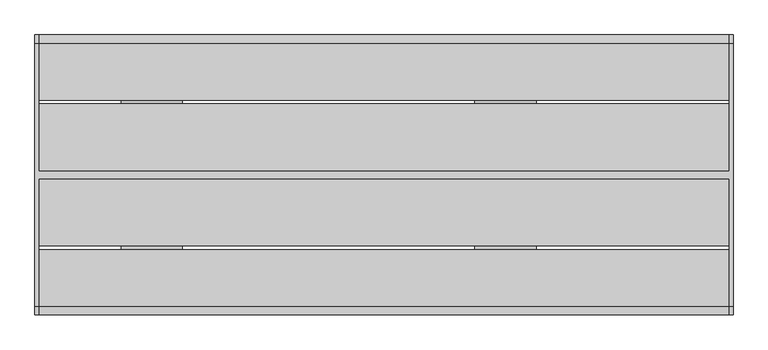
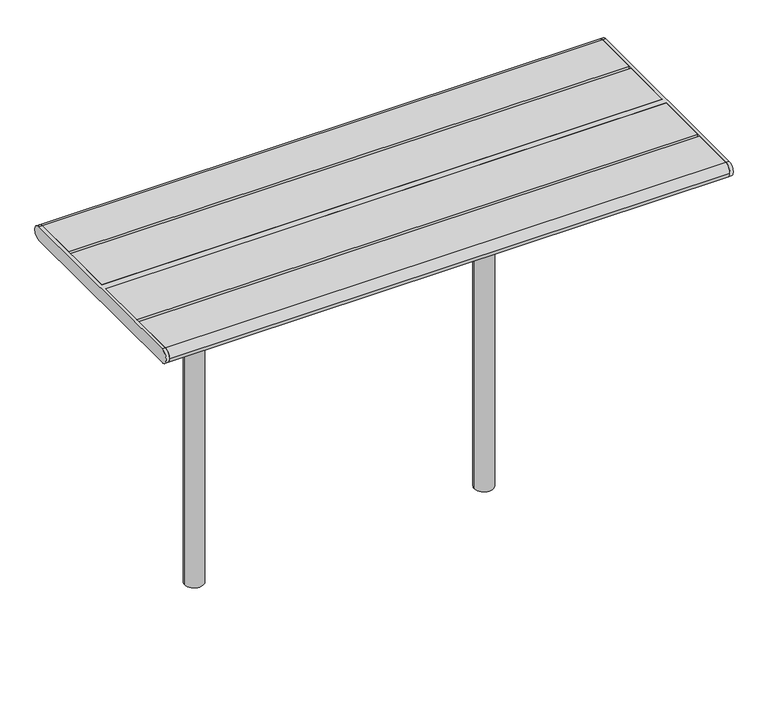
"""IFC4 building model written with IfcOpenShell, lengths in millimetres: furniture geometry."""

from ifc_helpers import new_model, si_unit, point, frame, frame_2d, origin, place, context, project, spatial, polyline, circle_curve, trimmed, segment, composite_curve, outline, extrude, source, transform, mapped, element, save
from ifc_brep_helpers import plane_surface, cylinder_surface, advanced_brep


def furniture_ce00ca40(model_context):
    return source(origin(), model_context, "Body", "SolidModel", [
        advanced_brep(
        [(534.9914087, 125.0, 687.0), (534.9914087, 299.0, 687.0), (534.9914087, 299.0, 695.0), (534.9914087, -299.0, 695.0), (534.9914087, -299.0, 687.0), (534.9914087, -125.0, 687.0), (534.9914087, -125.0, 679.0), (534.9914087, 125.0, 679.0), (384.9914087, 125.0, 687.0), (384.9914087, 299.0, 687.0), (376.9914087, 299.0, 687.0), (376.9914087, 299.0, 695.0), (376.9914087, -299.0, 695.0), (376.9914087, -299.0, 687.0), (384.9914087, -299.0, 687.0), (384.9914087, -125.0, 687.0), (384.9914087, -125.0, 679.0), (384.9914087, 125.0, 679.0), (489.9914087, 0.0, 679.0), (429.9914087, 0.0, 679.0), (376.9914087, 45.0, 644.0), (376.9914087, -45.0, 644.0), (384.9914087, 45.0, 644.0), (384.9914087, -45.0, 644.0), (489.9914087, 0.0, -350.303316), (429.9914087, 0.0, -350.303316)],
        [
            (0, 1),
            (1, 2),
            (2, 3),
            (3, 4),
            (4, 5),
            (5, 6),
            (6, 7),
            (7, 0),
            (0, 8),
            (8, 9),
            (9, 1),
            (9, 10),
            (10, 11),
            (11, 2),
            (11, 12),
            (12, 3),
            (12, 13),
            (13, 14),
            (14, 4),
            (14, 15),
            (15, 5),
            (15, 16),
            (16, 6),
            (16, 17),
            (17, 7),
            (18, 19, circle_curve(frame((459.9914087, 0.0, 679.0), z_axis=(0.0, 0.0, 1.0), x_axis=(-1.0, 0.0, 0.0)), 30.0)),
            (19, 18, circle_curve(frame((459.9914087, 0.0, 679.0), z_axis=(0.0, 0.0, 1.0), x_axis=(-1.0, 0.0, 0.0)), 30.0)),
            (17, 8),
            (20, 21),
            (21, 13),
            (10, 20),
            (22, 9),
            (14, 23),
            (23, 22),
            (22, 20),
            (21, 23),
            (24, 25, circle_curve(frame((459.9914087, 0.0, -350.303316), z_axis=(0.0, 0.0, -1.0), x_axis=(-1.0, 0.0, 0.0)), 30.0)),
            (25, 24, circle_curve(frame((459.9914087, 0.0, -350.303316), z_axis=(0.0, 0.0, -1.0), x_axis=(-1.0, 0.0, 0.0)), 30.0)),
            (24, 18),
            (19, 25),
        ],
        [
            plane_surface(frame((534.9914087, 299.0, 687.0), z_axis=(1.0, 0.0, 0.0), x_axis=(0.0, -1.0, 0.0))),
            plane_surface(frame((384.9914087, 125.0, 687.0), z_axis=(0.0, 0.0, -1.0), x_axis=(1.0, 0.0, 0.0))),
            plane_surface(frame((384.9914087, 299.0, 687.0), z_axis=(0.0, 1.0, 0.0), x_axis=(1.0, 0.0, 0.0))),
            plane_surface(frame((384.9914087, 299.0, 695.0), z_axis=(0.0, 0.0, 1.0), x_axis=(1.0, 0.0, 0.0))),
            plane_surface(frame((384.9914087, -299.0, 695.0), z_axis=(0.0, -1.0, 0.0), x_axis=(1.0, 0.0, 0.0))),
            plane_surface(frame((384.9914087, -299.0, 687.0), z_axis=(0.0, 0.0, -1.0), x_axis=(1.0, 0.0, 0.0))),
            plane_surface(frame((384.9914087, -125.0, 687.0), z_axis=(0.0, -1.0, 0.0), x_axis=(1.0, 0.0, 0.0))),
            plane_surface(frame((384.9914087, -125.0, 679.0), z_axis=(0.0, 0.0, -1.0), x_axis=(1.0, 0.0, 0.0))),
            plane_surface(frame((384.9914087, 125.0, 679.0), z_axis=(0.0, 1.0, 0.0), x_axis=(1.0, 0.0, 0.0))),
            plane_surface(frame((376.9914087, 299.0, 687.0), z_axis=(-1.0, 0.0, 0.0), x_axis=(0.0, 0.9859710587294898, 0.1669163603360949))),
            plane_surface(frame((384.9914087, 299.0, 687.0), z_axis=(1.0, 0.0, 0.0), x_axis=(0.0, -0.9859710587294898, -0.1669163603360949))),
            plane_surface(frame((376.9914087, 45.0, 644.0), z_axis=(0.0, 0.1669163603360949, -0.9859710587294898), x_axis=(1.0, 0.0, 0.0))),
            plane_surface(frame((376.9914087, -299.0, 687.0), z_axis=(0.0, -0.16691636033609472, -0.9859710587294899), x_axis=(1.0, 0.0, 0.0))),
            plane_surface(frame((376.9914087, -45.0, 644.0), z_axis=(0.0, 0.0, -1.0), x_axis=(1.0, 0.0, 0.0))),
            plane_surface(frame((429.9914087, 0.0, -350.303316), z_axis=(0.0, 0.0, -1.0), x_axis=(0.0, -1.0, 0.0))),
            cylinder_surface(frame((459.9914087, 0.0, -350.303316), z_axis=(0.0, 0.0, 1.0), x_axis=(-1.0, 0.0, 0.0)), 30.0),
        ],
        [
            (0, [[1, 2, 3, 4, 5, 6, 7, 8]]),
            (1, [[9, 10, 11, -1]]),
            (2, [[-11, 12, 13, 14, -2]]),
            (3, [[-14, 15, 16, -3]]),
            (4, [[-16, 17, 18, 19, -4]]),
            (5, [[-19, 20, 21, -5]]),
            (6, [[-21, 22, 23, -6]]),
            (7, [[-23, 24, 25, -7], [26, 27]]),
            (8, [[-25, 28, -9, -8]]),
            (9, [[29, 30, -17, -15, -13, 31]]),
            (10, [[32, -10, -28, -24, -22, -20, 33, 34]]),
            (11, [[-12, -32, 35, -31]]),
            (12, [[36, -33, -18, -30]]),
            (13, [[-35, -34, -36, -29]]),
            (14, [[37, 38]]),
            (15, [[39, -27, 40, -37]]),
            (15, [[-40, -26, -39, -38]]),
        ],
    ),
        advanced_brep(
        [(-534.9914087, 125.0, 687.0), (-534.9914087, 125.0, 679.0), (-534.9914087, -125.0, 679.0), (-534.9914087, -125.0, 687.0), (-534.9914087, -299.0, 687.0), (-534.9914087, -299.0, 695.0), (-534.9914087, 299.0, 695.0), (-534.9914087, 299.0, 687.0), (-384.9914087, 299.0, 687.0), (-384.9914087, 125.0, 687.0), (-376.9914087, 299.0, 695.0), (-376.9914087, 299.0, 687.0), (-376.9914087, -299.0, 695.0), (-384.9914087, -299.0, 687.0), (-376.9914087, -299.0, 687.0), (-384.9914087, -125.0, 687.0), (-384.9914087, -125.0, 679.0), (-384.9914087, 125.0, 679.0), (-489.9914087, 0.0, 679.0), (-429.9914087, 0.0, 679.0), (-376.9914087, 45.0, 644.0), (-376.9914087, -45.0, 644.0), (-384.9914087, 45.0, 644.0), (-384.9914087, -45.0, 644.0), (-489.9914087, 0.0, -350.303316), (-429.9914087, 0.0, -350.303316)],
        [
            (0, 1),
            (1, 2),
            (2, 3),
            (3, 4),
            (4, 5),
            (5, 6),
            (6, 7),
            (7, 0),
            (7, 8),
            (8, 9),
            (9, 0),
            (6, 10),
            (10, 11),
            (11, 8),
            (5, 12),
            (12, 10),
            (4, 13),
            (13, 14),
            (14, 12),
            (3, 15),
            (15, 13),
            (2, 16),
            (16, 15),
            (1, 17),
            (17, 16),
            (18, 19, circle_curve(frame((-459.9914087, 0.0, 679.0), z_axis=(0.0, 0.0, 1.0), x_axis=(1.0, 0.0, 0.0)), 30.0)),
            (19, 18, circle_curve(frame((-459.9914087, 0.0, 679.0), z_axis=(0.0, 0.0, 1.0), x_axis=(1.0, 0.0, 0.0)), 30.0)),
            (9, 17),
            (20, 11),
            (14, 21),
            (21, 20),
            (22, 23),
            (23, 13),
            (8, 22),
            (20, 22),
            (23, 21),
            (24, 25, circle_curve(frame((-459.9914087, 0.0, -350.303316), z_axis=(0.0, 0.0, -1.0), x_axis=(1.0, 0.0, 0.0)), 30.0)),
            (25, 24, circle_curve(frame((-459.9914087, 0.0, -350.303316), z_axis=(0.0, 0.0, -1.0), x_axis=(1.0, 0.0, 0.0)), 30.0)),
            (25, 19),
            (18, 24),
        ],
        [
            plane_surface(frame((-534.9914087, 299.0, 687.0), z_axis=(-1.0, 0.0, 0.0), x_axis=(0.0, -1.0, 0.0))),
            plane_surface(frame((-384.9914087, 125.0, 687.0), z_axis=(0.0, 0.0, -1.0), x_axis=(-1.0, 0.0, 0.0))),
            plane_surface(frame((-384.9914087, 299.0, 687.0), z_axis=(0.0, 1.0, 0.0), x_axis=(-1.0, 0.0, 0.0))),
            plane_surface(frame((-384.9914087, 299.0, 695.0), z_axis=(0.0, 0.0, 1.0), x_axis=(-1.0, 0.0, 0.0))),
            plane_surface(frame((-384.9914087, -299.0, 695.0), z_axis=(0.0, -1.0, 0.0), x_axis=(-1.0, 0.0, 0.0))),
            plane_surface(frame((-384.9914087, -299.0, 687.0), z_axis=(0.0, 0.0, -1.0), x_axis=(-1.0, 0.0, 0.0))),
            plane_surface(frame((-384.9914087, -125.0, 687.0), z_axis=(0.0, -1.0, 0.0), x_axis=(-1.0, 0.0, 0.0))),
            plane_surface(frame((-384.9914087, -125.0, 679.0), z_axis=(0.0, 0.0, -1.0), x_axis=(-1.0, 0.0, 0.0))),
            plane_surface(frame((-384.9914087, 125.0, 679.0), z_axis=(0.0, 1.0, 0.0), x_axis=(-1.0, 0.0, 0.0))),
            plane_surface(frame((-376.9914087, 299.0, 687.0), z_axis=(1.0, 0.0, 0.0), x_axis=(0.0, 0.9859710587294898, 0.1669163603360949))),
            plane_surface(frame((-384.9914087, 299.0, 687.0), z_axis=(-1.0, 0.0, 0.0), x_axis=(0.0, -0.9859710587294898, -0.1669163603360949))),
            plane_surface(frame((-376.9914087, 45.0, 644.0), z_axis=(0.0, 0.1669163603360949, -0.9859710587294898), x_axis=(-1.0, 0.0, 0.0))),
            plane_surface(frame((-376.9914087, -299.0, 687.0), z_axis=(0.0, -0.16691636033609472, -0.9859710587294899), x_axis=(-1.0, 0.0, 0.0))),
            plane_surface(frame((-376.9914087, -45.0, 644.0), z_axis=(0.0, 0.0, -1.0), x_axis=(-1.0, 0.0, 0.0))),
            plane_surface(frame((-429.9914087, 0.0, -350.303316), z_axis=(0.0, 0.0, -1.0), x_axis=(0.0, -1.0, 0.0))),
            cylinder_surface(frame((-459.9914087, 0.0, -350.303316), z_axis=(0.0, 0.0, 1.0), x_axis=(1.0, 0.0, 0.0)), 30.0),
        ],
        [
            (0, [[1, 2, 3, 4, 5, 6, 7, 8]]),
            (1, [[-8, 9, 10, 11]]),
            (2, [[-7, 12, 13, 14, -9]]),
            (3, [[-6, 15, 16, -12]]),
            (4, [[-5, 17, 18, 19, -15]]),
            (5, [[-4, 20, 21, -17]]),
            (6, [[-3, 22, 23, -20]]),
            (7, [[-2, 24, 25, -22], [26, 27]]),
            (8, [[-1, -11, 28, -24]]),
            (9, [[29, -13, -16, -19, 30, 31]]),
            (10, [[32, 33, -21, -23, -25, -28, -10, 34]]),
            (11, [[-29, 35, -34, -14]]),
            (12, [[-30, -18, -33, 36]]),
            (13, [[-31, -36, -32, -35]]),
            (14, [[37, 38]]),
            (15, [[-38, 39, -26, 40]]),
            (15, [[-37, -40, -27, -39]]),
        ],
    ),
        advanced_brep(
        [(1043.0, 338.5, 740.0), (1043.0, -338.5, 740.0), (1043.0, -338.5, 695.0), (1043.0, 338.5, 695.0), (1033.0, 338.5, 740.0), (1033.0, 338.5, 695.0), (1033.0, 10.0, 695.0), (1033.0, 10.0, 740.0), (1033.0, -338.5, 695.0), (1033.0, -338.5, 740.0), (1033.0, -10.0, 740.0), (1033.0, -10.0, 695.0), (-747.0, 10.0, 740.0), (-747.0, 338.5, 740.0), (-757.0, 338.5, 740.0), (-757.0, -338.5, 740.0), (-747.0, -338.5, 740.0), (-747.0, -10.0, 740.0), (-747.0, -10.0, 695.0), (-747.0, -338.5, 695.0), (-757.0, -338.5, 695.0), (-757.0, 338.5, 695.0), (-747.0, 338.5, 695.0), (-747.0, 10.0, 695.0)],
        [
            (0, 1),
            (1, 2, circle_curve(frame((1043.0, -338.5, 717.5), z_axis=(1.0, 0.0, 0.0), x_axis=(0.0, -1.0, 0.0)), 22.5)),
            (2, 3),
            (3, 0, circle_curve(frame((1043.0, 338.5, 717.5), z_axis=(1.0, 0.0, 0.0), x_axis=(0.0, -1.0, 0.0)), 22.5)),
            (4, 5, circle_curve(frame((1033.0, 338.5, 717.5), z_axis=(-1.0, 0.0, 0.0), x_axis=(0.0, -1.0, 0.0)), 22.5)),
            (5, 6),
            (6, 7),
            (7, 4),
            (8, 9, circle_curve(frame((1033.0, -338.5, 717.5), z_axis=(-1.0, 0.0, 0.0), x_axis=(0.0, -1.0, 0.0)), 22.5)),
            (9, 10),
            (10, 11),
            (11, 8),
            (0, 4),
            (7, 12),
            (12, 13),
            (13, 14),
            (14, 15),
            (15, 16),
            (16, 17),
            (17, 10),
            (9, 1),
            (8, 2),
            (11, 18),
            (18, 19),
            (19, 20),
            (20, 21),
            (21, 22),
            (22, 23),
            (23, 6),
            (5, 3),
            (17, 18),
            (23, 12),
            (16, 19, circle_curve(frame((-747.0, -338.5, 717.5), z_axis=(1.0, 0.0, 0.0), x_axis=(0.0, -1.0, 0.0)), 22.5)),
            (22, 13, circle_curve(frame((-747.0, 338.5, 717.5), z_axis=(1.0, 0.0, 0.0), x_axis=(0.0, -1.0, 0.0)), 22.5)),
            (14, 21, circle_curve(frame((-757.0, 338.5, 717.5), z_axis=(-1.0, 0.0, 0.0), x_axis=(0.0, -1.0, 0.0)), 22.5)),
            (20, 15, circle_curve(frame((-757.0, -338.5, 717.5), z_axis=(-1.0, 0.0, 0.0), x_axis=(0.0, -1.0, 0.0)), 22.5)),
        ],
        [
            plane_surface(frame((1043.0, -338.5, 740.0), z_axis=(1.0, 0.0, 0.0), x_axis=(0.0, -1.0, 0.0))),
            plane_surface(frame((1033.0, -338.5, 740.0), z_axis=(-1.0, 0.0, 0.0), x_axis=(0.0, 1.0, 0.0))),
            plane_surface(frame((1043.0, 338.5, 740.0), z_axis=(0.0, 0.0, 1.0), x_axis=(-1.0, 0.0, 0.0))),
            cylinder_surface(frame((1033.0, -338.5, 717.5), z_axis=(1.0, 0.0, 0.0), x_axis=(0.0, -1.0, 0.0)), 22.5),
            plane_surface(frame((1043.0, -338.5, 695.0), z_axis=(0.0, 0.0, -1.0), x_axis=(-1.0, 0.0, 0.0))),
            cylinder_surface(frame((1033.0, 338.5, 717.5), z_axis=(1.0, 0.0, 0.0), x_axis=(0.0, -1.0, 0.0)), 22.5),
            plane_surface(frame((1033.0, -10.0, 740.0), z_axis=(0.0, -1.0, 0.0), x_axis=(-1.0, 0.0, 0.0))),
            plane_surface(frame((1033.0, 10.0, 695.0), z_axis=(0.0, 1.0, 0.0), x_axis=(-1.0, 0.0, 0.0))),
            plane_surface(frame((-747.0, -338.5, 740.0), z_axis=(1.0, 0.0, 0.0), x_axis=(0.0, -1.0, 0.0))),
            plane_surface(frame((-757.0, -338.5, 740.0), z_axis=(-1.0, 0.0, 0.0), x_axis=(0.0, 1.0, 0.0))),
            cylinder_surface(frame((-757.0, -338.5, 717.5), z_axis=(1.0, 0.0, 0.0), x_axis=(0.0, -1.0, 0.0)), 22.5),
            cylinder_surface(frame((-757.0, 338.5, 717.5), z_axis=(1.0, 0.0, 0.0), x_axis=(0.0, -1.0, 0.0)), 22.5),
        ],
        [
            (0, [[1, 2, 3, 4]]),
            (1, [[5, 6, 7, 8]]),
            (1, [[9, 10, 11, 12]]),
            (2, [[-1, 13, -8, 14, 15, 16, 17, 18, 19, 20, -10, 21]]),
            (3, [[-2, -21, -9, 22]]),
            (4, [[-3, -22, -12, 23, 24, 25, 26, 27, 28, 29, -6, 30]]),
            (5, [[-4, -30, -5, -13]]),
            (6, [[-20, 31, -23, -11]]),
            (7, [[-29, 32, -14, -7]]),
            (8, [[33, -24, -31, -19]]),
            (8, [[34, -15, -32, -28]]),
            (9, [[35, -26, 36, -17]]),
            (10, [[-33, -18, -36, -25]]),
            (11, [[-34, -27, -35, -16]]),
        ],
    ),
        extrude(outline(composite_curve([segment(trimmed(circle_curve(frame_2d((338.5, 717.5)), 22.5), [point((338.5, 740.0))], [point((338.5, 695.0))], False, "CARTESIAN"), True, "CONTINUOUS"), segment(polyline([(338.5, 695.0), (193.0, 695.0), (193.0, 740.0), (338.5, 740.0)]), True, "CONTINUOUS")], self_intersect=False)), frame((-747.0, 0.0, 0.0), z_axis=(1.0, 0.0, 0.0), x_axis=(0.0, 1.0, 0.0)), (0.0, 0.0, 1.0), 1780.0),
        extrude(outline(composite_curve([segment(polyline([(-193.0, 695.0), (-338.5, 695.0)]), True, "CONTINUOUS"), segment(trimmed(circle_curve(frame_2d((-338.5, 717.5)), 22.5), [point((-338.5, 695.0))], [point((-361.0, 717.5))], False, "CARTESIAN"), True, "CONTINUOUS"), segment(trimmed(circle_curve(frame_2d((-338.5, 717.5)), 22.5), [point((-361.0, 717.5))], [point((-338.5, 740.0))], False, "CARTESIAN"), True, "CONTINUOUS"), segment(polyline([(-338.5, 740.0), (-193.0, 740.0), (-193.0, 695.0)]), True, "CONTINUOUS")], self_intersect=False)), frame((-747.0, 0.0, 0.0), z_axis=(1.0, 0.0, 0.0), x_axis=(0.0, 1.0, 0.0)), (0.0, 0.0, 1.0), 1780.0),
        extrude(outline(polyline([(1033.0, 183.0), (1033.0, 10.0), (-747.0, 10.0), (-747.0, 183.0), (1033.0, 183.0)])), frame((0.0, 0.0, 695.0), z_axis=(0.0, 0.0, 1.0), x_axis=(1.0, 0.0, 0.0)), (0.0, 0.0, 1.0), 45.0),
        extrude(outline(polyline([(1033.0, -10.0), (1033.0, -183.0), (-747.0, -183.0), (-747.0, -10.0), (1033.0, -10.0)])), frame((0.0, 0.0, 695.0), z_axis=(0.0, 0.0, 1.0), x_axis=(1.0, 0.0, 0.0)), (0.0, 0.0, 1.0), 45.0),
    ])


if __name__ == "__main__":
    model = new_model("IFC4")
    model_context = context("Model", 3, world=origin())
    ifc_project = project(units=[si_unit("LENGTHUNIT", "METRE", prefix="MILLI")], contexts=[model_context])
    site = spatial("IfcSite", under=ifc_project)
    building = spatial("IfcBuilding", under=site)
    placement = place(None, origin())
    furniture_shape = furniture_ce00ca40(model_context)
    element("IfcFurniture", 1, at=placement, inside=building, context=model_context, shape_type="MappedRepresentation", body=[
        mapped(furniture_shape, transform((0.0, 0.0, 0.0), x_axis=(1.0, 0.0, 0.0), y_axis=(0.0, 1.0, 0.0), z_axis=(0.0, 0.0, 1.0))),
    ])
    save(model, "model.ifc")
